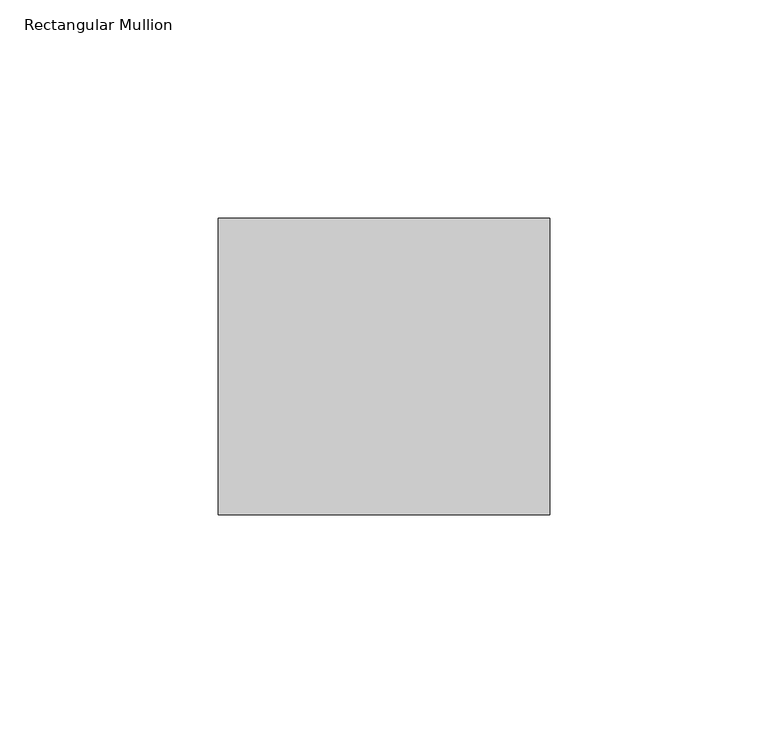
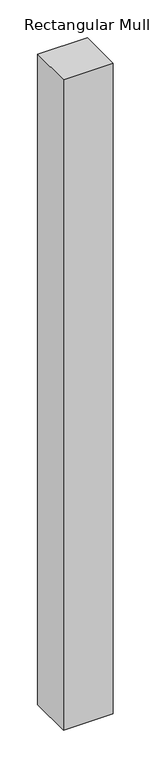
"""IFC4 building model written with IfcOpenShell, lengths in millimetres: member geometry, Rectangular Mullion."""

from ifc_helpers import new_model, si_unit, frame, origin, place, context, project, spatial, polyline, outline, extrude, source, transform, mapped, element, save


def rectangular_mullion_37a71c93(model_context):
    return source(origin(), model_context, "Body", "SweptSolid", [
        extrude(outline(polyline([(0.0, 68.0), (0.0, 0.0), (-76.0, 0.0), (-76.0, 68.0), (0.0, 68.0)])), frame((0.0, 0.0, -1050.0), z_axis=(0.0, 0.0, 1.0), x_axis=(1.0, 0.0, 0.0)), (0.0, 0.0, 1.0), 1050.0),
    ])


if __name__ == "__main__":
    model = new_model("IFC4")
    model_context = context("Model", 3, world=origin())
    ifc_project = project(units=[si_unit("LENGTHUNIT", "METRE", prefix="MILLI")], contexts=[model_context])
    site = spatial("IfcSite", under=ifc_project)
    building = spatial("IfcBuilding", under=site)
    placement = place(None, origin())
    rectangular_mullion_shape = rectangular_mullion_37a71c93(model_context)
    element("IfcMember", 1, ObjectType="Rectangular Mullion", at=placement, inside=building, context=model_context, shape_type="MappedRepresentation", body=[
        mapped(rectangular_mullion_shape, transform((0.0, 0.0, 0.0), x_axis=(1.0, 0.0, 0.0), y_axis=(0.0, 1.0, 0.0), z_axis=(0.0, 0.0, 1.0))),
    ])
    save(model, "model.ifc")
